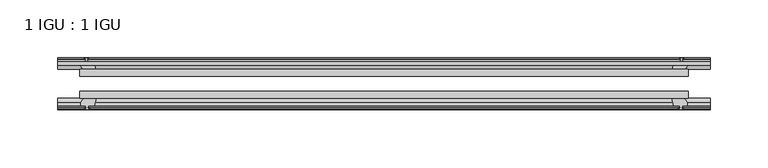
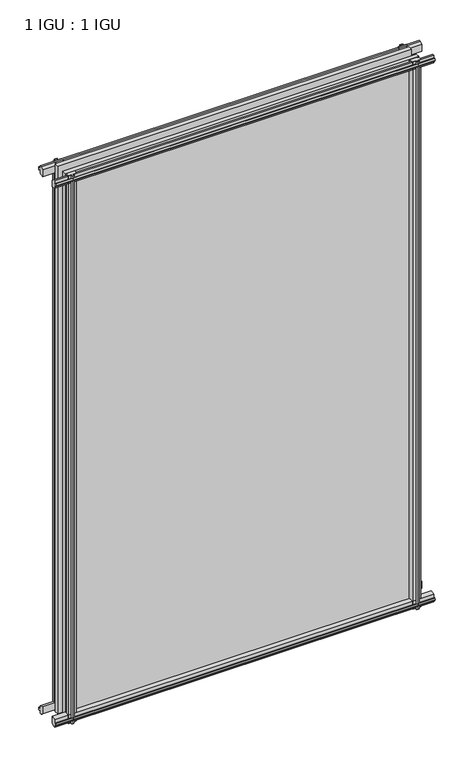
"""IFC4 building model written with IfcOpenShell, lengths in millimetres: plate geometry, 1 IGU : 1 IGU."""

from ifc_helpers import new_model, si_unit, frame, origin, place, context, project, spatial, polyline, outline, extrude, source, transform, mapped, element, save


def plate_1_igu_1_igu_9135150b(model_context):
    return source(origin(), model_context, "Body", "SweptSolid", [
        extrude(outline(polyline([(-263.5685731, -38.6468937), (263.5685731, -38.6468937), (263.5685731, -44.9460938), (-263.5685731, -44.9460938), (-263.5685731, -38.6468937)])), frame((0.0, 0.0, -12.7), z_axis=(0.0, 0.0, 1.0), x_axis=(1.0, 0.0, 0.0)), (0.0, 0.0, 1.0), 863.5999996),
        extrude(outline(polyline([(-263.5685731, -19.5460937), (263.5685731, -19.5460937), (263.5685731, -25.8960938), (-263.5685731, -25.8960938), (-263.5685731, -19.5460937)])), frame((0.0, 0.0, -12.7), z_axis=(0.0, 0.0, 1.0), x_axis=(1.0, 0.0, 0.0)), (0.0, 0.0, 1.0), 863.5999996),
        extrude(outline(polyline([(-44.9460937, 1.7177181), (-44.9460937, -9.1036578), (-48.3496937, -11.938), (-51.2960937, -11.938), (-51.2960937, -7.493), (-53.6762907, -7.112), (-53.2163575, -8.5275291), (-54.0175717, -8.5275291), (-54.7250937, -6.35), (-54.0175717, -4.1724709), (-53.2163575, -4.1724709), (-53.6762907, -5.588), (-51.2960937, -5.207), (-51.2960937, 0.0), (-44.9460937, 1.7177181)])), frame((-282.6185731, 0.0, 0.0), z_axis=(1.0, 0.0, 0.0), x_axis=(0.0, 1.0, 0.0)), (0.0, 0.0, 1.0), 565.2371461),
        extrude(outline(polyline([(-13.1960937, -12.4587), (-16.1424937, -12.4587), (-19.5460937, -9.6243578), (-19.5460937, 1.1970181), (-13.1960937, -0.5207), (-13.1960937, -5.7277), (-10.8158968, -6.1087), (-11.27583, -4.6931709), (-10.4746158, -4.6931709), (-9.7670937, -6.8707), (-10.4746158, -9.0482291), (-11.27583, -9.0482291), (-10.8158968, -7.6327), (-13.1960937, -8.0137), (-13.1960937, -12.4587)])), frame((-282.6185731, 0.0, 0.0), z_axis=(1.0, 0.0, 0.0), x_axis=(0.0, 1.0, 0.0)), (0.0, 0.0, 1.0), 565.2371461),
        extrude(outline(polyline([(-51.2960937, 850.1379996), (-48.3496937, 850.1379996), (-44.9460937, 847.3036575), (-44.9460937, 836.4822816), (-51.2960937, 838.1999996), (-51.2960937, 843.4069996), (-53.6762907, 843.7879996), (-53.2163575, 842.3724706), (-54.0175717, 842.3724706), (-54.7250937, 844.5499996), (-54.0175717, 846.7275287), (-53.2163575, 846.7275287), (-53.6762907, 845.3119996), (-51.2960937, 845.6929996), (-51.2960937, 850.1379996)])), frame((-282.6185731, 0.0, 0.0), z_axis=(1.0, 0.0, 0.0), x_axis=(0.0, 1.0, 0.0)), (0.0, 0.0, 1.0), 565.2371461),
        extrude(outline(polyline([(-19.5460937, 837.0029816), (-19.5460937, 847.8243575), (-16.1424937, 850.6586996), (-13.1960937, 850.6586996), (-13.1960937, 846.2136996), (-10.8158968, 845.8326996), (-11.27583, 847.2482287), (-10.4746158, 847.2482287), (-9.7670937, 845.0706996), (-10.4746158, 842.8931706), (-11.27583, 842.8931706), (-10.8158968, 844.3086996), (-13.1960937, 843.9276996), (-13.1960937, 838.7206996), (-19.5460937, 837.0029816)])), frame((-282.6185731, 0.0, 0.0), z_axis=(1.0, 0.0, 0.0), x_axis=(0.0, 1.0, 0.0)), (0.0, 0.0, 1.0), 565.2371461),
        extrude(outline(polyline([(249.671555, -19.5460938), (251.3892731, -13.1960938), (256.5962731, -13.1960938), (256.9772731, -10.8158968), (255.561744, -11.27583), (255.561744, -10.4746158), (257.7392731, -9.7670938), (259.9168021, -10.4746158), (259.9168021, -11.27583), (258.5012731, -10.8158968), (258.8822731, -13.1960938), (263.3272731, -13.1960938), (263.3272731, -16.1424938), (260.4929309, -19.5460938), (249.671555, -19.5460938)])), frame((0.0, 0.0, -12.7), z_axis=(0.0, 0.0, 1.0), x_axis=(1.0, 0.0, 0.0)), (0.0, 0.0, 1.0), 863.5999998),
        extrude(outline(polyline([(249.150855, -44.9460938), (259.9722309, -44.9460938), (262.8065731, -48.3496938), (262.8065731, -51.2960938), (258.3615731, -51.2960938), (257.9805731, -53.6762907), (259.3961021, -53.2163575), (259.3961021, -54.0175717), (257.2185731, -54.7250938), (255.041044, -54.0175717), (255.041044, -53.2163575), (256.4565731, -53.6762907), (256.0755731, -51.2960938), (250.8685731, -51.2960938), (249.150855, -44.9460938)])), frame((0.0, 0.0, -12.7), z_axis=(0.0, 0.0, 1.0), x_axis=(1.0, 0.0, 0.0)), (0.0, 0.0, 1.0), 863.5999998),
        extrude(outline(polyline([(-257.7392731, -9.7670937), (-255.561744, -10.4746158), (-255.561744, -11.27583), (-256.9772731, -10.8158968), (-256.5962731, -13.1960937), (-251.3892731, -13.1960937), (-249.671555, -19.5460937), (-260.4929309, -19.5460937), (-263.3272731, -16.1424937), (-263.3272731, -13.1960937), (-258.8822731, -13.1960937), (-258.5012731, -10.8158968), (-259.9168021, -11.27583), (-259.9168021, -10.4746158), (-257.7392731, -9.7670937)])), frame((0.0, 0.0, -12.7), z_axis=(0.0, 0.0, 1.0), x_axis=(1.0, 0.0, 0.0)), (0.0, 0.0, 1.0), 863.5999998),
        extrude(outline(polyline([(-262.8065731, -48.3496937), (-259.9722309, -44.9460937), (-249.150855, -44.9460937), (-250.8685731, -51.2960937), (-256.0755731, -51.2960937), (-256.4565731, -53.6762907), (-255.041044, -53.2163575), (-255.041044, -54.0175717), (-257.2185731, -54.7250937), (-259.3961021, -54.0175717), (-259.3961021, -53.2163575), (-257.9805731, -53.6762907), (-258.3615731, -51.2960937), (-262.8065731, -51.2960937), (-262.8065731, -48.3496937)])), frame((0.0, 0.0, -12.7), z_axis=(0.0, 0.0, 1.0), x_axis=(1.0, 0.0, 0.0)), (0.0, 0.0, 1.0), 863.5999998),
    ])


if __name__ == "__main__":
    model = new_model("IFC4")
    model_context = context("Model", 3, world=origin())
    ifc_project = project(units=[si_unit("LENGTHUNIT", "METRE", prefix="MILLI")], contexts=[model_context])
    site = spatial("IfcSite", under=ifc_project)
    building = spatial("IfcBuilding", under=site)
    placement = place(None, origin())
    plate_1_igu_1_igu_shape = plate_1_igu_1_igu_9135150b(model_context)
    element("IfcPlate", 1, ObjectType="1 IGU : 1 IGU", at=placement, inside=building, context=model_context, shape_type="MappedRepresentation", body=[
        mapped(plate_1_igu_1_igu_shape, transform((0.0, 0.0, 0.0), x_axis=(1.0, 0.0, 0.0), y_axis=(0.0, 1.0, 0.0), z_axis=(0.0, 0.0, 1.0))),
    ])
    save(model, "model.ifc")
